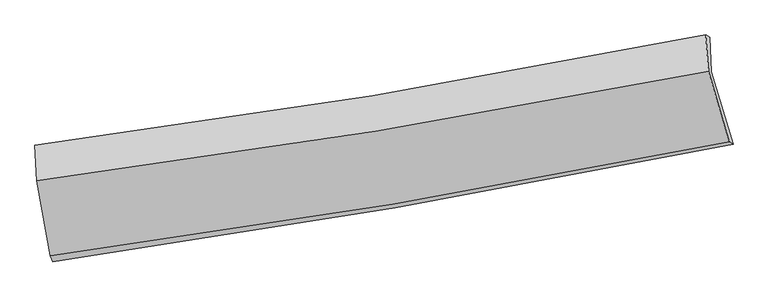
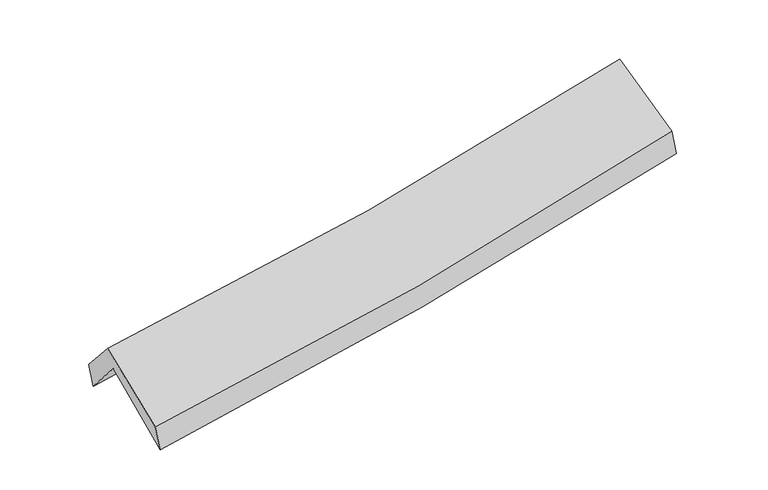
"""IFC4 building model written with IfcOpenShell, lengths in millimetres: proxy geometry."""

from ifc_helpers import new_model, si_unit, frame, origin, place, context, project, spatial, source, transform, mapped, element, save
from ifc_brep_helpers import plane_surface, spline_curve, spline_surface, advanced_brep


def generic_models_e41f9d7d(model_context):
    return source(origin(), model_context, "Body", "AdvancedBrep", [
        advanced_brep(
        [(-2285.1283769, -2484.8265063, 1485.9276742), (-2379.3526457, -1976.6675389, 1922.6247652), (2300.5759124, -1162.6198876, 2352.86251), (2452.8974879, -1667.6703582, 1924.7458175), (-2393.9789452, -1713.0990866, 1612.1171458), (2289.6937875, -920.8823158, 2041.1727519), (-2410.1633828, -1674.2694726, 1786.3754201), (2262.641989, -905.6731026, 2241.1727318), (-2395.7360028, -1922.9161718, 2069.4381461), (2281.923426, -1158.3231408, 2501.0668459), (-2302.2952368, -2442.2189531, 1667.8532517), (2425.8078959, -1649.4570125, 2120.0607683)],
        [
            (0, 1),
            (1, 2, spline_curve(3, [(-2379.3526457, -1976.6675389, 1922.6247652), (-1590.595767174, -1864.541146965, 1972.733163603), (-805.103234016, -1740.40951256, 2033.775919627), (754.835354179, -1468.922022408, 2177.314439892), (1529.319006972, -1321.704439842, 2259.684265648), (2300.5759124, -1162.6198876, 2352.86251)], [4, 2, 4], [0.0, 7.896776186761393, 15.747944250522433])),
            (2, 3),
            (3, 0, spline_curve(3, [(2452.8974879, -1667.6703582, 1924.7458175), (1670.888877308, -1825.617393434, 1828.693988061), (886.200362665, -1972.522113771, 1744.172311272), (-693.110365976, -2245.03616044, 1597.765248369), (-1487.763806487, -2370.516823161, 1536.014210904), (-2285.1283769, -2484.8265063, 1485.9276742)], [4, 2, 4], [0.0, 7.85116806376104, 15.747944250522433])),
            (1, 4),
            (4, 5, spline_curve(3, [(-2393.9789452, -1713.0990866, 1612.1171458), (-1606.079936892, -1597.431240471, 1662.517515588), (-820.701272002, -1473.363799933, 1723.606751606), (740.493943605, -1209.194798727, 1866.748398311), (1516.339523022, -1069.18998246, 1948.677697884), (2289.6937875, -920.8823158, 2041.1727519)], [4, 2, 4], [0.0, 7.84841417097971, 15.651499535570322])),
            (5, 2),
            (4, 6),
            (6, 7, spline_curve(3, [(-2410.1633828, -1674.2694726, 1786.3754201), (-1621.808249721, -1572.861832899, 1836.737453402), (-837.113049497, -1457.883630413, 1899.965161712), (720.446587217, -1201.528538534, 2051.712448736), (1493.353177542, -1060.307950857, 2140.083844358), (2262.641989, -905.6731026, 2241.1727318)], [4, 2, 4], [0.0, 7.83858369634439, 15.631895362569606])),
            (7, 5),
            (6, 8),
            (8, 9, spline_curve(3, [(-2395.7360028, -1922.9161718, 2069.4381461), (-1607.005338731, -1819.979763328, 2113.437619944), (-821.716065404, -1704.574937041, 2171.551345002), (737.464107039, -1449.56698581, 2315.590142249), (1511.394643637, -1310.107468435, 2401.352650338), (2281.923426, -1158.3231408, 2501.0668459)], [4, 2, 4], [0.0, 7.830915178969626, 15.616602617625865])),
            (9, 7),
            (8, 10),
            (10, 11, spline_curve(3, [(-2302.2952368, -2442.2189531, 1667.8532517), (-1505.234924146, -2336.349731126, 1713.919510634), (-711.564862813, -2217.121719749, 1774.788484361), (864.430466935, -1952.713876629, 1925.694816603), (1646.794783088, -1807.687908115, 2015.561681737), (2425.8078959, -1649.4570125, 2120.0607683)], [4, 2, 4], [0.0, 7.878812214530298, 15.712120057646423])),
            (11, 9),
            (10, 0),
            (3, 11),
        ],
        [
            spline_surface(3, 3, [[(-2285.1283769, -2484.8265063, 1485.9276742), (-1487.763806534, -2370.516823077, 1536.014210809), (-693.110366105, -2245.036160535, 1597.765248388), (886.200362793, -1972.522113677, 1744.172311253), (1670.888877313, -1825.617393477, 1828.693988089), (2452.8974879, -1667.6703582, 1924.7458175)], [(-2316.536466484, -2315.44018384, 1631.493371201), (-1522.041126773, -2201.858264366, 1681.587195085), (-730.441322085, -2076.827277852, 1743.102138794), (842.412026584, -1804.655416587, 1888.553020856), (1623.698920541, -1657.646408889, 1972.357413953), (2402.123629406, -1499.320201329, 2067.451381675)], [(-2347.944556116, -2146.05386136, 1777.059068199), (-1556.31844706, -2033.199705635, 1827.160179358), (-767.772278044, -1908.618395207, 1888.439029126), (798.623690396, -1636.788719536, 2032.933730384), (1576.508963752, -1489.675424316, 2116.020839791), (2351.349770894, -1330.970044471, 2210.156945825)], [(-2379.3526457, -1976.6675389, 1922.6247652), (-1590.595767299, -1864.541146925, 1972.733163634), (-805.103234024, -1740.409512523, 2033.775919532), (754.835354187, -1468.922022445, 2177.314439986), (1529.319006981, -1321.704439729, 2259.684265655), (2300.5759124, -1162.6198876, 2352.86251)]], [4, 4], [4, 2, 4], [0.0, 2.2198204368694383], [0.0, 7.896776186761393, 15.747944250522433]),
            spline_surface(3, 3, [[(-2379.3526457, -1976.6675389, 1922.6247652), (-1590.595767299, -1864.541146925, 1972.733163634), (-805.103234024, -1740.409512523, 2033.775919532), (754.835354187, -1468.922022445, 2177.314439986), (1529.319006981, -1321.704439729, 2259.684265655), (2300.5759124, -1162.6198876, 2352.86251)], [(-2384.228078864, -1888.811388143, 1819.12222542), (-1595.757157171, -1775.504511412, 1869.32794768), (-810.302580019, -1651.394274988, 1930.386196894), (750.054883998, -1382.346281234, 2073.792426089), (1524.99251232, -1237.532953915, 2156.015409684), (2296.948537452, -1082.040696975, 2248.965923946)], [(-2389.103512036, -1800.955237357, 1715.61968558), (-1600.918547051, -1686.467875869, 1765.922731666), (-815.501926018, -1562.379037419, 1826.996474258), (745.274413805, -1295.770539987, 1970.270412195), (1520.666017603, -1153.361468178, 2052.346553775), (2293.321162448, -1001.461506425, 2145.069337954)], [(-2393.9789452, -1713.0990866, 1612.1171458), (-1606.079936923, -1597.431240356, 1662.517515712), (-820.701272013, -1473.363799884, 1723.60675162), (740.493943616, -1209.194798775, 1866.748398297), (1516.339522943, -1069.189982365, 1948.677697805), (2289.6937875, -920.8823158, 2041.1727519)]], [4, 4], [4, 2, 4], [0.0, 1.3364544347186573], [0.0, 7.84841417097971, 15.651499535570322]),
            spline_surface(3, 3, [[(-2393.9789452, -1713.0990866, 1612.1171458), (-1606.079936923, -1597.431240356, 1662.517515712), (-820.701272013, -1473.363799884, 1723.60675162), (740.493943616, -1209.194798775, 1866.748398297), (1516.339522943, -1069.189982365, 1948.677697805), (2289.6937875, -920.8823158, 2041.1727519)], [(-2399.373757747, -1700.155881913, 1670.203237205), (-1611.322707849, -1589.241437826, 1720.590828205), (-826.17186448, -1468.203743376, 1782.392888283), (733.811491454, -1206.639378667, 1928.40308178), (1508.677407782, -1066.22930522, 2012.479746644), (2280.676521337, -915.812578067, 2107.839411889)], [(-2404.768570253, -1687.212677287, 1728.289328695), (-1616.565478736, -1581.051635357, 1778.664140782), (-831.642456945, -1463.043686937, 1841.179024993), (727.129039294, -1204.083958628, 1990.057765309), (1501.015292611, -1063.268628075, 2076.281795417), (2271.659255163, -910.742840333, 2174.506071811)], [(-2410.1633828, -1674.2694726, 1786.3754201), (-1621.808249663, -1572.861832827, 1836.737453274), (-837.113049412, -1457.883630428, 1899.965161657), (720.446587132, -1201.52853852, 2051.712448791), (1493.35317745, -1060.30795093, 2140.083844257), (2262.641989, -905.6731026, 2241.1727318)]], [4, 4], [4, 2, 4], [0.0, 0.5968594986769773], [0.0, 7.83858369634439, 15.631895362569606]),
            spline_surface(3, 3, [[(-2410.1633828, -1674.2694726, 1786.3754201), (-1621.808249663, -1572.861832827, 1836.737453274), (-837.113049412, -1457.883630428, 1899.965161657), (720.446587132, -1201.52853852, 2051.712448791), (1493.35317745, -1060.30795093, 2140.083844257), (2262.641989, -905.6731026, 2241.1727318)], [(-2405.354256116, -1757.151705674, 1880.729662124), (-1616.873945974, -1655.234476347, 1928.97084219), (-831.980721439, -1540.114066008, 1990.493889458), (726.119093799, -1284.208020947, 2139.67167995), (1499.366999496, -1143.574456747, 2227.173446307), (2269.069134668, -989.889782023, 2327.804103152)], [(-2400.545129484, -1840.033938726, 1975.083904076), (-1611.939642338, -1737.607119845, 2021.204231035), (-826.84839347, -1622.344501529, 2081.02261722), (731.791600464, -1366.887503316, 2227.63091107), (1505.380821537, -1226.840962495, 2314.2630484), (2275.496280332, -1074.106461377, 2414.435474548)], [(-2395.7360028, -1922.9161718, 2069.4381461), (-1607.005338649, -1819.979763365, 2113.437619951), (-821.716065498, -1704.574937109, 2171.551345022), (737.464107132, -1449.566985742, 2315.590142229), (1511.394643582, -1310.107468312, 2401.35265045), (2281.923426, -1158.3231408, 2501.0668459)]], [4, 4], [4, 2, 4], [0.0, 1.1971350552036035], [0.0, 7.830915178969626, 15.616602617625865]),
            spline_surface(3, 3, [[(-2395.7360028, -1922.9161718, 2069.4381461), (-1607.005338649, -1819.979763365, 2113.437619951), (-821.716065498, -1704.574937109, 2171.551345022), (737.464107132, -1449.566985742, 2315.590142229), (1511.394643582, -1310.107468312, 2401.35265045), (2281.923426, -1158.3231408, 2501.0668459)], [(-2364.5890808, -2096.017098916, 1935.576514639), (-1573.081867136, -1992.103086011, 1980.264916845), (-784.998997906, -1875.423864608, 2039.297058125), (779.786227045, -1617.282616033, 2185.625033705), (1556.528023399, -1475.967614893, 2272.755660911), (2329.884915948, -1322.034431345, 2374.064820026)], [(-2333.4421588, -2269.118025984, 1801.714883161), (-1539.158395623, -2164.226408609, 1847.09221372), (-748.281930327, -2046.272792185, 1907.042771217), (822.108346944, -1784.998246402, 2055.659925168), (1601.66140327, -1641.827761539, 2144.158671393), (2377.846405952, -1485.745721955, 2247.062794174)], [(-2302.2952368, -2442.2189531, 1667.8532517), (-1505.23492411, -2336.349731255, 1713.919510613), (-711.564862735, -2217.121719684, 1774.78848432), (864.430466857, -1952.713876693, 1925.694816643), (1646.794783086, -1807.68790812, 2015.561681854), (2425.8078959, -1649.4570125, 2120.0607683)]], [4, 4], [4, 2, 4], [0.0, 2.143129618577504], [0.0, 7.878812214530298, 15.712120057646423]),
            spline_surface(3, 3, [[(-2302.2952368, -2442.2189531, 1667.8532517), (-1505.23492411, -2336.349731255, 1713.919510613), (-711.564862735, -2217.121719684, 1774.78848432), (864.430466857, -1952.713876693, 1925.694816643), (1646.794783086, -1807.68790812, 2015.561681854), (2425.8078959, -1649.4570125, 2120.0607683)], [(-2296.572950189, -2456.421470813, 1607.21139251), (-1499.411218273, -2347.738761842, 1654.617743989), (-705.413363858, -2226.426533333, 1715.780738984), (871.687098836, -1959.316622386, 1865.187314821), (1654.826147817, -1813.664403268, 1953.272450611), (2434.837759889, -1655.528127762, 2054.955784712)], [(-2290.850663511, -2470.623988587, 1546.56953339), (-1493.58751237, -2359.12779249, 1595.315977433), (-699.261864982, -2235.731346887, 1656.772993724), (878.943730814, -1965.919367984, 1804.679813076), (1662.857512582, -1819.640898329, 1890.983219332), (2443.867623911, -1661.599242938, 1989.850801088)], [(-2285.1283769, -2484.8265063, 1485.9276742), (-1487.763806534, -2370.516823077, 1536.014210809), (-693.110366105, -2245.036160535, 1597.765248388), (886.200362793, -1972.522113677, 1744.172311253), (1670.888877313, -1825.617393477, 1828.693988089), (2452.8974879, -1667.6703582, 1924.7458175)]], [4, 4], [4, 2, 4], [0.0, 0.5969751263222021], [0.0, 7.934848207595172, 15.823868405825227]),
            plane_surface(frame((2335.5900831, -1244.1043029, 2196.8469042), z_axis=(0.9738874813377307, 0.1946046919250487, 0.11692812995344026), x_axis=(0.22551403918371618, -0.7697674619913379, -0.5971611780670774))),
            plane_surface(frame((-2361.1090984, -2035.6662882, 1757.3894005), z_axis=(-0.9896003269590175, -0.12926210605079053, -0.06310705841599837), x_axis=(-0.09149054717501721, 0.22707637788321383, 0.969569903815633))),
        ],
        [
            (0, [[1, 2, 3, 4]]),
            (1, [[5, 6, 7, -2]]),
            (2, [[8, 9, 10, -6]]),
            (3, [[11, 12, 13, -9]]),
            (4, [[14, 15, 16, -12]]),
            (5, [[17, -4, 18, -15]]),
            (6, [[-16, -18, -3, -7, -10, -13]]),
            (7, [[-17, -14, -11, -8, -5, -1]]),
        ],
    ),
    ])


if __name__ == "__main__":
    model = new_model("IFC4")
    model_context = context("Model", 3, world=origin())
    ifc_project = project(units=[si_unit("LENGTHUNIT", "METRE", prefix="MILLI")], contexts=[model_context])
    site = spatial("IfcSite", under=ifc_project)
    building = spatial("IfcBuilding", under=site)
    placement = place(None, origin())
    generic_models_shape = generic_models_e41f9d7d(model_context)
    element("IfcBuildingElementProxy", 1, Name="Generic Models", at=placement, inside=building, context=model_context, shape_type="MappedRepresentation", body=[
        mapped(generic_models_shape, transform((0.0, 0.0, 0.0), x_axis=(1.0, 0.0, 0.0), y_axis=(0.0, 1.0, 0.0), z_axis=(0.0, 0.0, 1.0))),
    ])
    save(model, "model.ifc")
